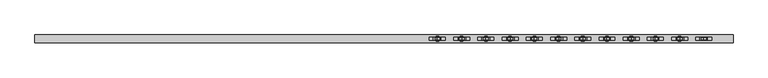
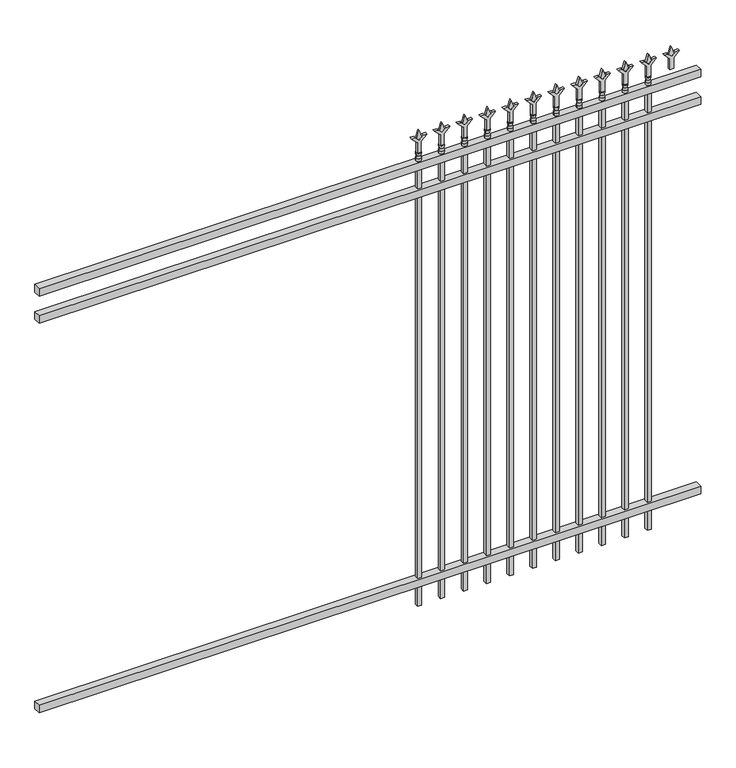
"""IFC4 building model written with IfcOpenShell, lengths in millimetres: railing geometry."""

from ifc_helpers import new_model, si_unit, frame, origin, place, context, project, spatial, polyline, circle_curve, outline, extrude, source, transform, mapped, element, save
from ifc_brep_helpers import plane_surface, cylinder_surface, revolved_surface, advanced_brep


def railing_69103082(model_context):
    return source(origin(), model_context, "Body", "SolidModel", [
        extrude(outline(polyline([(-55249.318087, -652.7195174), (-55249.318087, -617.7945174), (-52099.718087, -617.7945174), (-52099.718087, -652.7195174), (-55249.318087, -652.7195174)])), frame((0.0, 0.0, 2247.9), z_axis=(0.0, 0.0, 1.0), x_axis=(1.0, 0.0, 0.0)), (0.0, 0.0, 1.0), 38.1),
        extrude(outline(polyline([(-55249.318087, -652.7195174), (-55249.318087, -617.7945174), (-52099.718087, -617.7945174), (-52099.718087, -652.7195174), (-55249.318087, -652.7195174)])), frame((0.0, 0.0, 2111.375), z_axis=(0.0, 0.0, 1.0), x_axis=(1.0, 0.0, 0.0)), (0.0, 0.0, 1.0), 38.1),
        extrude(outline(polyline([(-55249.318087, -652.7195174), (-55249.318087, -617.7945174), (-52099.718087, -617.7945174), (-52099.718087, -652.7195174), (-55249.318087, -652.7195174)])), frame((0.0, 0.0, 152.4), z_axis=(0.0, 0.0, 1.0), x_axis=(1.0, 0.0, 0.0)), (0.0, 0.0, 1.0), 38.1),
        extrude(outline(polyline([(2402.68125, -52328.8472536), (2438.4, -52340.7535036), (2402.68125, -52352.6597536), (2390.775, -52340.7535036), (2402.68125, -52328.8472536)])), frame((0.0, -640.0195174, 0.0), z_axis=(0.0, 1.0, 0.0), x_axis=(0.0, 0.0, 1.0)), (0.0, 0.0, 1.0), 9.525),
        extrude(outline(polyline([(2327.275, -52332.0222536), (2381.5457378, -52332.0222536), (2408.7355122, -52304.8324791), (2408.7355122, -52322.7929914), (2390.775, -52340.7535036), (2408.7355122, -52358.7140159), (2408.7355122, -52376.6745281), (2381.5457378, -52349.4847536), (2327.275, -52349.4847536), (2327.275, -52332.0222536)])), frame((0.0, -641.6070174, 0.0), z_axis=(0.0, 1.0, 0.0), x_axis=(0.0, 0.0, 1.0)), (0.0, 0.0, 1.0), 12.7),
        advanced_brep(
        [(-52328.8472536, -635.2570174, 2298.7), (-52352.6597536, -635.2570174, 2298.7), (-52352.6597536, -635.2570174, 2286.0), (-52328.8472536, -635.2570174, 2286.0), (-52331.0525855, -635.2570174, 2311.2070585), (-52350.4544218, -635.2570174, 2311.2070585), (-52328.8472536, -635.2570174, 2327.275), (-52352.6597536, -635.2570174, 2327.275), (-52340.7535036, -635.2570174, 2327.275), (-52340.7535036, -635.2570174, 2286.0)],
        [
            (0, 1, circle_curve(frame((-52340.7535036, -635.2570174, 2298.7), z_axis=(0.0, 0.0, -1.0), x_axis=(-1.0, 0.0, 0.0)), 11.90625)),
            (1, 2),
            (2, 3, circle_curve(frame((-52340.7535036, -635.2570174, 2286.0), z_axis=(0.0, 0.0, 1.0), x_axis=(-1.0, 0.0, 0.0)), 11.90625)),
            (3, 0),
            (1, 0, circle_curve(frame((-52340.7535036, -635.2570174, 2298.7), z_axis=(0.0, 0.0, -1.0), x_axis=(-1.0, 0.0, 0.0)), 11.90625)),
            (3, 2, circle_curve(frame((-52340.7535036, -635.2570174, 2286.0), z_axis=(0.0, 0.0, 1.0), x_axis=(-1.0, 0.0, 0.0)), 11.90625)),
            (4, 5, circle_curve(frame((-52340.7535036, -635.2570174, 2311.2070585), z_axis=(0.0, 0.0, -1.0), x_axis=(-1.0, 0.0, 0.0)), 9.7009181)),
            (5, 1),
            (0, 4),
            (5, 4, circle_curve(frame((-52340.7535036, -635.2570174, 2311.2070585), z_axis=(0.0, 0.0, -1.0), x_axis=(-1.0, 0.0, 0.0)), 9.7009181)),
            (6, 7, circle_curve(frame((-52340.7535036, -635.2570174, 2327.275), z_axis=(0.0, 0.0, -1.0), x_axis=(-1.0, 0.0, 0.0)), 11.90625)),
            (7, 5),
            (4, 6),
            (7, 6, circle_curve(frame((-52340.7535036, -635.2570174, 2327.275), z_axis=(0.0, 0.0, -1.0), x_axis=(-1.0, 0.0, 0.0)), 11.90625)),
            (8, 7),
            (6, 8),
            (2, 9),
            (9, 3),
        ],
        [
            cylinder_surface(frame((-52340.7535036, -635.2570174, 2286.0), z_axis=(0.0, 0.0, 1.0), x_axis=(-1.0, 0.0, 0.0)), 11.90625),
            revolved_surface(polyline([(-52352.6597536, -635.2570174, 2298.7), (-52350.4544218, -635.2570174, 2311.2070585)]), (-52340.7535036, -635.2570174, 2286.0), (0.0, 0.0, 1.0)),
            revolved_surface(polyline([(-52350.4544218, -635.2570174, 2311.2070585), (-52352.6597536, -635.2570174, 2327.275)]), (-52340.7535036, -635.2570174, 2286.0), (0.0, 0.0, 1.0)),
            plane_surface(frame((-52340.7535036, -635.2570174, 2327.275), z_axis=(0.0, 0.0, 1.0), x_axis=(-1.0, 0.0, 0.0))),
            plane_surface(frame((-52340.7535036, -635.2570174, 2286.0), z_axis=(0.0, 0.0, -1.0), x_axis=(-1.0, 0.0, 0.0))),
        ],
        [
            (0, [[1, 2, 3, 4]]),
            (0, [[5, -4, 6, -2]]),
            (1, [[7, 8, -1, 9]]),
            (1, [[10, -9, -5, -8]]),
            (2, [[11, 12, -7, 13]]),
            (2, [[14, -13, -10, -12]]),
            (3, [[15, -11, 16]]),
            (3, [[-16, -14, -15]]),
            (4, [[-3, 17, 18]]),
            (4, [[-6, -18, -17]]),
        ],
    ),
        extrude(outline(polyline([(-52350.2785036, -625.7320174), (-52331.2285036, -625.7320174), (-52331.2285036, -644.7820174), (-52350.2785036, -644.7820174), (-52350.2785036, -625.7320174)])), frame((0.0, 0.0, 50.8), z_axis=(0.0, 0.0, 1.0), x_axis=(1.0, 0.0, 0.0)), (0.0, 0.0, 1.0), 2235.2),
        extrude(outline(polyline([(2402.68125, -52438.1201703), (2438.4, -52450.0264203), (2402.68125, -52461.9326703), (2390.775, -52450.0264203), (2402.68125, -52438.1201703)])), frame((0.0, -640.0195174, 0.0), z_axis=(0.0, 1.0, 0.0), x_axis=(0.0, 0.0, 1.0)), (0.0, 0.0, 1.0), 9.525),
        extrude(outline(polyline([(2327.275, -52441.2951703), (2381.5457378, -52441.2951703), (2408.7355122, -52414.1053958), (2408.7355122, -52432.0659081), (2390.775, -52450.0264203), (2408.7355122, -52467.9869325), (2408.7355122, -52485.9474448), (2381.5457378, -52458.7576703), (2327.275, -52458.7576703), (2327.275, -52441.2951703)])), frame((0.0, -641.6070174, 0.0), z_axis=(0.0, 1.0, 0.0), x_axis=(0.0, 0.0, 1.0)), (0.0, 0.0, 1.0), 12.7),
        advanced_brep(
        [(-52438.1201703, -635.2570174, 2298.7), (-52461.9326703, -635.2570174, 2298.7), (-52461.9326703, -635.2570174, 2286.0), (-52438.1201703, -635.2570174, 2286.0), (-52440.3255022, -635.2570174, 2311.2070585), (-52459.7273384, -635.2570174, 2311.2070585), (-52438.1201703, -635.2570174, 2327.275), (-52461.9326703, -635.2570174, 2327.275), (-52450.0264203, -635.2570174, 2327.275), (-52450.0264203, -635.2570174, 2286.0)],
        [
            (0, 1, circle_curve(frame((-52450.0264203, -635.2570174, 2298.7), z_axis=(0.0, 0.0, -1.0), x_axis=(-1.0, 0.0, 0.0)), 11.90625)),
            (1, 2),
            (2, 3, circle_curve(frame((-52450.0264203, -635.2570174, 2286.0), z_axis=(0.0, 0.0, 1.0), x_axis=(-1.0, 0.0, 0.0)), 11.90625)),
            (3, 0),
            (1, 0, circle_curve(frame((-52450.0264203, -635.2570174, 2298.7), z_axis=(0.0, 0.0, -1.0), x_axis=(-1.0, 0.0, 0.0)), 11.90625)),
            (3, 2, circle_curve(frame((-52450.0264203, -635.2570174, 2286.0), z_axis=(0.0, 0.0, 1.0), x_axis=(-1.0, 0.0, 0.0)), 11.90625)),
            (4, 5, circle_curve(frame((-52450.0264203, -635.2570174, 2311.2070585), z_axis=(0.0, 0.0, -1.0), x_axis=(-1.0, 0.0, 0.0)), 9.7009181)),
            (5, 1),
            (0, 4),
            (5, 4, circle_curve(frame((-52450.0264203, -635.2570174, 2311.2070585), z_axis=(0.0, 0.0, -1.0), x_axis=(-1.0, 0.0, 0.0)), 9.7009181)),
            (6, 7, circle_curve(frame((-52450.0264203, -635.2570174, 2327.275), z_axis=(0.0, 0.0, -1.0), x_axis=(-1.0, 0.0, 0.0)), 11.90625)),
            (7, 5),
            (4, 6),
            (7, 6, circle_curve(frame((-52450.0264203, -635.2570174, 2327.275), z_axis=(0.0, 0.0, -1.0), x_axis=(-1.0, 0.0, 0.0)), 11.90625)),
            (8, 7),
            (6, 8),
            (2, 9),
            (9, 3),
        ],
        [
            cylinder_surface(frame((-52450.0264203, -635.2570174, 2286.0), z_axis=(0.0, 0.0, 1.0), x_axis=(-1.0, 0.0, 0.0)), 11.90625),
            revolved_surface(polyline([(-52461.9326703, -635.2570174, 2298.7), (-52459.7273384, -635.2570174, 2311.2070585)]), (-52450.0264203, -635.2570174, 2286.0), (0.0, 0.0, 1.0)),
            revolved_surface(polyline([(-52459.7273384, -635.2570174, 2311.2070585), (-52461.9326703, -635.2570174, 2327.275)]), (-52450.0264203, -635.2570174, 2286.0), (0.0, 0.0, 1.0)),
            plane_surface(frame((-52450.0264203, -635.2570174, 2327.275), z_axis=(0.0, 0.0, 1.0), x_axis=(-1.0, 0.0, 0.0))),
            plane_surface(frame((-52450.0264203, -635.2570174, 2286.0), z_axis=(0.0, 0.0, -1.0), x_axis=(-1.0, 0.0, 0.0))),
        ],
        [
            (0, [[1, 2, 3, 4]]),
            (0, [[5, -4, 6, -2]]),
            (1, [[7, 8, -1, 9]]),
            (1, [[10, -9, -5, -8]]),
            (2, [[11, 12, -7, 13]]),
            (2, [[14, -13, -10, -12]]),
            (3, [[15, -11, 16]]),
            (3, [[-16, -14, -15]]),
            (4, [[-3, 17, 18]]),
            (4, [[-6, -18, -17]]),
        ],
    ),
        extrude(outline(polyline([(-52459.5514203, -625.7320174), (-52440.5014203, -625.7320174), (-52440.5014203, -644.7820174), (-52459.5514203, -644.7820174), (-52459.5514203, -625.7320174)])), frame((0.0, 0.0, 50.8), z_axis=(0.0, 0.0, 1.0), x_axis=(1.0, 0.0, 0.0)), (0.0, 0.0, 1.0), 2235.2),
        extrude(outline(polyline([(2402.68125, -52547.393087), (2438.4, -52559.299337), (2402.68125, -52571.205587), (2390.775, -52559.299337), (2402.68125, -52547.393087)])), frame((0.0, -640.0195174, 0.0), z_axis=(0.0, 1.0, 0.0), x_axis=(0.0, 0.0, 1.0)), (0.0, 0.0, 1.0), 9.525),
        extrude(outline(polyline([(2327.275, -52550.568087), (2381.5457378, -52550.568087), (2408.7355122, -52523.3783125), (2408.7355122, -52541.3388247), (2390.775, -52559.299337), (2408.7355122, -52577.2598492), (2408.7355122, -52595.2203614), (2381.5457378, -52568.030587), (2327.275, -52568.030587), (2327.275, -52550.568087)])), frame((0.0, -641.6070174, 0.0), z_axis=(0.0, 1.0, 0.0), x_axis=(0.0, 0.0, 1.0)), (0.0, 0.0, 1.0), 12.7),
        advanced_brep(
        [(-52547.393087, -635.2570174, 2298.7), (-52571.205587, -635.2570174, 2298.7), (-52571.205587, -635.2570174, 2286.0), (-52547.393087, -635.2570174, 2286.0), (-52549.5984188, -635.2570174, 2311.2070585), (-52569.0002551, -635.2570174, 2311.2070585), (-52547.393087, -635.2570174, 2327.275), (-52571.205587, -635.2570174, 2327.275), (-52559.299337, -635.2570174, 2327.275), (-52559.299337, -635.2570174, 2286.0)],
        [
            (0, 1, circle_curve(frame((-52559.299337, -635.2570174, 2298.7), z_axis=(0.0, 0.0, -1.0), x_axis=(-1.0, 0.0, 0.0)), 11.90625)),
            (1, 2),
            (2, 3, circle_curve(frame((-52559.299337, -635.2570174, 2286.0), z_axis=(0.0, 0.0, 1.0), x_axis=(-1.0, 0.0, 0.0)), 11.90625)),
            (3, 0),
            (1, 0, circle_curve(frame((-52559.299337, -635.2570174, 2298.7), z_axis=(0.0, 0.0, -1.0), x_axis=(-1.0, 0.0, 0.0)), 11.90625)),
            (3, 2, circle_curve(frame((-52559.299337, -635.2570174, 2286.0), z_axis=(0.0, 0.0, 1.0), x_axis=(-1.0, 0.0, 0.0)), 11.90625)),
            (4, 5, circle_curve(frame((-52559.299337, -635.2570174, 2311.2070585), z_axis=(0.0, 0.0, -1.0), x_axis=(-1.0, 0.0, 0.0)), 9.7009181)),
            (5, 1),
            (0, 4),
            (5, 4, circle_curve(frame((-52559.299337, -635.2570174, 2311.2070585), z_axis=(0.0, 0.0, -1.0), x_axis=(-1.0, 0.0, 0.0)), 9.7009181)),
            (6, 7, circle_curve(frame((-52559.299337, -635.2570174, 2327.275), z_axis=(0.0, 0.0, -1.0), x_axis=(-1.0, 0.0, 0.0)), 11.90625)),
            (7, 5),
            (4, 6),
            (7, 6, circle_curve(frame((-52559.299337, -635.2570174, 2327.275), z_axis=(0.0, 0.0, -1.0), x_axis=(-1.0, 0.0, 0.0)), 11.90625)),
            (8, 7),
            (6, 8),
            (2, 9),
            (9, 3),
        ],
        [
            cylinder_surface(frame((-52559.299337, -635.2570174, 2286.0), z_axis=(0.0, 0.0, 1.0), x_axis=(-1.0, 0.0, 0.0)), 11.90625),
            revolved_surface(polyline([(-52571.205587, -635.2570174, 2298.7), (-52569.0002551, -635.2570174, 2311.2070585)]), (-52559.299337, -635.2570174, 2286.0), (0.0, 0.0, 1.0)),
            revolved_surface(polyline([(-52569.0002551, -635.2570174, 2311.2070585), (-52571.205587, -635.2570174, 2327.275)]), (-52559.299337, -635.2570174, 2286.0), (0.0, 0.0, 1.0)),
            plane_surface(frame((-52559.299337, -635.2570174, 2327.275), z_axis=(0.0, 0.0, 1.0), x_axis=(-1.0, 0.0, 0.0))),
            plane_surface(frame((-52559.299337, -635.2570174, 2286.0), z_axis=(0.0, 0.0, -1.0), x_axis=(-1.0, 0.0, 0.0))),
        ],
        [
            (0, [[1, 2, 3, 4]]),
            (0, [[5, -4, 6, -2]]),
            (1, [[7, 8, -1, 9]]),
            (1, [[10, -9, -5, -8]]),
            (2, [[11, 12, -7, 13]]),
            (2, [[14, -13, -10, -12]]),
            (3, [[15, -11, 16]]),
            (3, [[-16, -14, -15]]),
            (4, [[-3, 17, 18]]),
            (4, [[-6, -18, -17]]),
        ],
    ),
        extrude(outline(polyline([(-52568.824337, -625.7320174), (-52549.774337, -625.7320174), (-52549.774337, -644.7820174), (-52568.824337, -644.7820174), (-52568.824337, -625.7320174)])), frame((0.0, 0.0, 50.8), z_axis=(0.0, 0.0, 1.0), x_axis=(1.0, 0.0, 0.0)), (0.0, 0.0, 1.0), 2235.2),
        extrude(outline(polyline([(2402.68125, -52656.6660036), (2438.4, -52668.5722536), (2402.68125, -52680.4785036), (2390.775, -52668.5722536), (2402.68125, -52656.6660036)])), frame((0.0, -640.0195174, 0.0), z_axis=(0.0, 1.0, 0.0), x_axis=(0.0, 0.0, 1.0)), (0.0, 0.0, 1.0), 9.525),
        extrude(outline(polyline([(2327.275, -52659.8410036), (2381.5457378, -52659.8410036), (2408.7355122, -52632.6512291), (2408.7355122, -52650.6117414), (2390.775, -52668.5722536), (2408.7355122, -52686.5327659), (2408.7355122, -52704.4932781), (2381.5457378, -52677.3035036), (2327.275, -52677.3035036), (2327.275, -52659.8410036)])), frame((0.0, -641.6070174, 0.0), z_axis=(0.0, 1.0, 0.0), x_axis=(0.0, 0.0, 1.0)), (0.0, 0.0, 1.0), 12.7),
        advanced_brep(
        [(-52656.6660036, -635.2570174, 2298.7), (-52680.4785036, -635.2570174, 2298.7), (-52680.4785036, -635.2570174, 2286.0), (-52656.6660036, -635.2570174, 2286.0), (-52658.8713355, -635.2570174, 2311.2070585), (-52678.2731718, -635.2570174, 2311.2070585), (-52656.6660036, -635.2570174, 2327.275), (-52680.4785036, -635.2570174, 2327.275), (-52668.5722536, -635.2570174, 2327.275), (-52668.5722536, -635.2570174, 2286.0)],
        [
            (0, 1, circle_curve(frame((-52668.5722536, -635.2570174, 2298.7), z_axis=(0.0, 0.0, -1.0), x_axis=(-1.0, 0.0, 0.0)), 11.90625)),
            (1, 2),
            (2, 3, circle_curve(frame((-52668.5722536, -635.2570174, 2286.0), z_axis=(0.0, 0.0, 1.0), x_axis=(-1.0, 0.0, 0.0)), 11.90625)),
            (3, 0),
            (1, 0, circle_curve(frame((-52668.5722536, -635.2570174, 2298.7), z_axis=(0.0, 0.0, -1.0), x_axis=(-1.0, 0.0, 0.0)), 11.90625)),
            (3, 2, circle_curve(frame((-52668.5722536, -635.2570174, 2286.0), z_axis=(0.0, 0.0, 1.0), x_axis=(-1.0, 0.0, 0.0)), 11.90625)),
            (4, 5, circle_curve(frame((-52668.5722536, -635.2570174, 2311.2070585), z_axis=(0.0, 0.0, -1.0), x_axis=(-1.0, 0.0, 0.0)), 9.7009181)),
            (5, 1),
            (0, 4),
            (5, 4, circle_curve(frame((-52668.5722536, -635.2570174, 2311.2070585), z_axis=(0.0, 0.0, -1.0), x_axis=(-1.0, 0.0, 0.0)), 9.7009181)),
            (6, 7, circle_curve(frame((-52668.5722536, -635.2570174, 2327.275), z_axis=(0.0, 0.0, -1.0), x_axis=(-1.0, 0.0, 0.0)), 11.90625)),
            (7, 5),
            (4, 6),
            (7, 6, circle_curve(frame((-52668.5722536, -635.2570174, 2327.275), z_axis=(0.0, 0.0, -1.0), x_axis=(-1.0, 0.0, 0.0)), 11.90625)),
            (8, 7),
            (6, 8),
            (2, 9),
            (9, 3),
        ],
        [
            cylinder_surface(frame((-52668.5722536, -635.2570174, 2286.0), z_axis=(0.0, 0.0, 1.0), x_axis=(-1.0, 0.0, 0.0)), 11.90625),
            revolved_surface(polyline([(-52680.4785036, -635.2570174, 2298.7), (-52678.2731718, -635.2570174, 2311.2070585)]), (-52668.5722536, -635.2570174, 2286.0), (0.0, 0.0, 1.0)),
            revolved_surface(polyline([(-52678.2731718, -635.2570174, 2311.2070585), (-52680.4785036, -635.2570174, 2327.275)]), (-52668.5722536, -635.2570174, 2286.0), (0.0, 0.0, 1.0)),
            plane_surface(frame((-52668.5722536, -635.2570174, 2327.275), z_axis=(0.0, 0.0, 1.0), x_axis=(-1.0, 0.0, 0.0))),
            plane_surface(frame((-52668.5722536, -635.2570174, 2286.0), z_axis=(0.0, 0.0, -1.0), x_axis=(-1.0, 0.0, 0.0))),
        ],
        [
            (0, [[1, 2, 3, 4]]),
            (0, [[5, -4, 6, -2]]),
            (1, [[7, 8, -1, 9]]),
            (1, [[10, -9, -5, -8]]),
            (2, [[11, 12, -7, 13]]),
            (2, [[14, -13, -10, -12]]),
            (3, [[15, -11, 16]]),
            (3, [[-16, -14, -15]]),
            (4, [[-3, 17, 18]]),
            (4, [[-6, -18, -17]]),
        ],
    ),
        extrude(outline(polyline([(-52678.0972536, -625.7320174), (-52659.0472536, -625.7320174), (-52659.0472536, -644.7820174), (-52678.0972536, -644.7820174), (-52678.0972536, -625.7320174)])), frame((0.0, 0.0, 50.8), z_axis=(0.0, 0.0, 1.0), x_axis=(1.0, 0.0, 0.0)), (0.0, 0.0, 1.0), 2235.2),
        extrude(outline(polyline([(2402.68125, -52765.9389203), (2438.4, -52777.8451703), (2402.68125, -52789.7514203), (2390.775, -52777.8451703), (2402.68125, -52765.9389203)])), frame((0.0, -640.0195174, 0.0), z_axis=(0.0, 1.0, 0.0), x_axis=(0.0, 0.0, 1.0)), (0.0, 0.0, 1.0), 9.525),
        extrude(outline(polyline([(2327.275, -52769.1139203), (2381.5457378, -52769.1139203), (2408.7355122, -52741.9241458), (2408.7355122, -52759.8846581), (2390.775, -52777.8451703), (2408.7355122, -52795.8056825), (2408.7355122, -52813.7661948), (2381.5457378, -52786.5764203), (2327.275, -52786.5764203), (2327.275, -52769.1139203)])), frame((0.0, -641.6070174, 0.0), z_axis=(0.0, 1.0, 0.0), x_axis=(0.0, 0.0, 1.0)), (0.0, 0.0, 1.0), 12.7),
        advanced_brep(
        [(-52765.9389203, -635.2570174, 2298.7), (-52789.7514203, -635.2570174, 2298.7), (-52789.7514203, -635.2570174, 2286.0), (-52765.9389203, -635.2570174, 2286.0), (-52768.1442522, -635.2570174, 2311.2070585), (-52787.5460884, -635.2570174, 2311.2070585), (-52765.9389203, -635.2570174, 2327.275), (-52789.7514203, -635.2570174, 2327.275), (-52777.8451703, -635.2570174, 2327.275), (-52777.8451703, -635.2570174, 2286.0)],
        [
            (0, 1, circle_curve(frame((-52777.8451703, -635.2570174, 2298.7), z_axis=(0.0, 0.0, -1.0), x_axis=(-1.0, 0.0, 0.0)), 11.90625)),
            (1, 2),
            (2, 3, circle_curve(frame((-52777.8451703, -635.2570174, 2286.0), z_axis=(0.0, 0.0, 1.0), x_axis=(-1.0, 0.0, 0.0)), 11.90625)),
            (3, 0),
            (1, 0, circle_curve(frame((-52777.8451703, -635.2570174, 2298.7), z_axis=(0.0, 0.0, -1.0), x_axis=(-1.0, 0.0, 0.0)), 11.90625)),
            (3, 2, circle_curve(frame((-52777.8451703, -635.2570174, 2286.0), z_axis=(0.0, 0.0, 1.0), x_axis=(-1.0, 0.0, 0.0)), 11.90625)),
            (4, 5, circle_curve(frame((-52777.8451703, -635.2570174, 2311.2070585), z_axis=(0.0, 0.0, -1.0), x_axis=(-1.0, 0.0, 0.0)), 9.7009181)),
            (5, 1),
            (0, 4),
            (5, 4, circle_curve(frame((-52777.8451703, -635.2570174, 2311.2070585), z_axis=(0.0, 0.0, -1.0), x_axis=(-1.0, 0.0, 0.0)), 9.7009181)),
            (6, 7, circle_curve(frame((-52777.8451703, -635.2570174, 2327.275), z_axis=(0.0, 0.0, -1.0), x_axis=(-1.0, 0.0, 0.0)), 11.90625)),
            (7, 5),
            (4, 6),
            (7, 6, circle_curve(frame((-52777.8451703, -635.2570174, 2327.275), z_axis=(0.0, 0.0, -1.0), x_axis=(-1.0, 0.0, 0.0)), 11.90625)),
            (8, 7),
            (6, 8),
            (2, 9),
            (9, 3),
        ],
        [
            cylinder_surface(frame((-52777.8451703, -635.2570174, 2286.0), z_axis=(0.0, 0.0, 1.0), x_axis=(-1.0, 0.0, 0.0)), 11.90625),
            revolved_surface(polyline([(-52789.7514203, -635.2570174, 2298.7), (-52787.5460884, -635.2570174, 2311.2070585)]), (-52777.8451703, -635.2570174, 2286.0), (0.0, 0.0, 1.0)),
            revolved_surface(polyline([(-52787.5460884, -635.2570174, 2311.2070585), (-52789.7514203, -635.2570174, 2327.275)]), (-52777.8451703, -635.2570174, 2286.0), (0.0, 0.0, 1.0)),
            plane_surface(frame((-52777.8451703, -635.2570174, 2327.275), z_axis=(0.0, 0.0, 1.0), x_axis=(-1.0, 0.0, 0.0))),
            plane_surface(frame((-52777.8451703, -635.2570174, 2286.0), z_axis=(0.0, 0.0, -1.0), x_axis=(-1.0, 0.0, 0.0))),
        ],
        [
            (0, [[1, 2, 3, 4]]),
            (0, [[5, -4, 6, -2]]),
            (1, [[7, 8, -1, 9]]),
            (1, [[10, -9, -5, -8]]),
            (2, [[11, 12, -7, 13]]),
            (2, [[14, -13, -10, -12]]),
            (3, [[15, -11, 16]]),
            (3, [[-16, -14, -15]]),
            (4, [[-3, 17, 18]]),
            (4, [[-6, -18, -17]]),
        ],
    ),
        extrude(outline(polyline([(-52787.3701703, -625.7320174), (-52768.3201703, -625.7320174), (-52768.3201703, -644.7820174), (-52787.3701703, -644.7820174), (-52787.3701703, -625.7320174)])), frame((0.0, 0.0, 50.8), z_axis=(0.0, 0.0, 1.0), x_axis=(1.0, 0.0, 0.0)), (0.0, 0.0, 1.0), 2235.2),
        extrude(outline(polyline([(2402.68125, -52875.211837), (2438.4, -52887.118087), (2402.68125, -52899.024337), (2390.775, -52887.118087), (2402.68125, -52875.211837)])), frame((0.0, -640.0195174, 0.0), z_axis=(0.0, 1.0, 0.0), x_axis=(0.0, 0.0, 1.0)), (0.0, 0.0, 1.0), 9.525),
        extrude(outline(polyline([(2327.275, -52878.386837), (2381.5457378, -52878.386837), (2408.7355122, -52851.1970625), (2408.7355122, -52869.1575747), (2390.775, -52887.118087), (2408.7355122, -52905.0785992), (2408.7355122, -52923.0391114), (2381.5457378, -52895.849337), (2327.275, -52895.849337), (2327.275, -52878.386837)])), frame((0.0, -641.6070174, 0.0), z_axis=(0.0, 1.0, 0.0), x_axis=(0.0, 0.0, 1.0)), (0.0, 0.0, 1.0), 12.7),
        advanced_brep(
        [(-52875.211837, -635.2570174, 2298.7), (-52899.024337, -635.2570174, 2298.7), (-52899.024337, -635.2570174, 2286.0), (-52875.211837, -635.2570174, 2286.0), (-52877.4171688, -635.2570174, 2311.2070585), (-52896.8190051, -635.2570174, 2311.2070585), (-52875.211837, -635.2570174, 2327.275), (-52899.024337, -635.2570174, 2327.275), (-52887.118087, -635.2570174, 2327.275), (-52887.118087, -635.2570174, 2286.0)],
        [
            (0, 1, circle_curve(frame((-52887.118087, -635.2570174, 2298.7), z_axis=(0.0, 0.0, -1.0), x_axis=(-1.0, 0.0, 0.0)), 11.90625)),
            (1, 2),
            (2, 3, circle_curve(frame((-52887.118087, -635.2570174, 2286.0), z_axis=(0.0, 0.0, 1.0), x_axis=(-1.0, 0.0, 0.0)), 11.90625)),
            (3, 0),
            (1, 0, circle_curve(frame((-52887.118087, -635.2570174, 2298.7), z_axis=(0.0, 0.0, -1.0), x_axis=(-1.0, 0.0, 0.0)), 11.90625)),
            (3, 2, circle_curve(frame((-52887.118087, -635.2570174, 2286.0), z_axis=(0.0, 0.0, 1.0), x_axis=(-1.0, 0.0, 0.0)), 11.90625)),
            (4, 5, circle_curve(frame((-52887.118087, -635.2570174, 2311.2070585), z_axis=(0.0, 0.0, -1.0), x_axis=(-1.0, 0.0, 0.0)), 9.7009181)),
            (5, 1),
            (0, 4),
            (5, 4, circle_curve(frame((-52887.118087, -635.2570174, 2311.2070585), z_axis=(0.0, 0.0, -1.0), x_axis=(-1.0, 0.0, 0.0)), 9.7009181)),
            (6, 7, circle_curve(frame((-52887.118087, -635.2570174, 2327.275), z_axis=(0.0, 0.0, -1.0), x_axis=(-1.0, 0.0, 0.0)), 11.90625)),
            (7, 5),
            (4, 6),
            (7, 6, circle_curve(frame((-52887.118087, -635.2570174, 2327.275), z_axis=(0.0, 0.0, -1.0), x_axis=(-1.0, 0.0, 0.0)), 11.90625)),
            (8, 7),
            (6, 8),
            (2, 9),
            (9, 3),
        ],
        [
            cylinder_surface(frame((-52887.118087, -635.2570174, 2286.0), z_axis=(0.0, 0.0, 1.0), x_axis=(-1.0, 0.0, 0.0)), 11.90625),
            revolved_surface(polyline([(-52899.024337, -635.2570174, 2298.7), (-52896.8190051, -635.2570174, 2311.2070585)]), (-52887.118087, -635.2570174, 2286.0), (0.0, 0.0, 1.0)),
            revolved_surface(polyline([(-52896.8190051, -635.2570174, 2311.2070585), (-52899.024337, -635.2570174, 2327.275)]), (-52887.118087, -635.2570174, 2286.0), (0.0, 0.0, 1.0)),
            plane_surface(frame((-52887.118087, -635.2570174, 2327.275), z_axis=(0.0, 0.0, 1.0), x_axis=(-1.0, 0.0, 0.0))),
            plane_surface(frame((-52887.118087, -635.2570174, 2286.0), z_axis=(0.0, 0.0, -1.0), x_axis=(-1.0, 0.0, 0.0))),
        ],
        [
            (0, [[1, 2, 3, 4]]),
            (0, [[5, -4, 6, -2]]),
            (1, [[7, 8, -1, 9]]),
            (1, [[10, -9, -5, -8]]),
            (2, [[11, 12, -7, 13]]),
            (2, [[14, -13, -10, -12]]),
            (3, [[15, -11, 16]]),
            (3, [[-16, -14, -15]]),
            (4, [[-3, 17, 18]]),
            (4, [[-6, -18, -17]]),
        ],
    ),
        extrude(outline(polyline([(-52896.643087, -625.7320174), (-52877.593087, -625.7320174), (-52877.593087, -644.7820174), (-52896.643087, -644.7820174), (-52896.643087, -625.7320174)])), frame((0.0, 0.0, 50.8), z_axis=(0.0, 0.0, 1.0), x_axis=(1.0, 0.0, 0.0)), (0.0, 0.0, 1.0), 2235.2),
        extrude(outline(polyline([(2402.68125, -52984.4847536), (2438.4, -52996.3910036), (2402.68125, -53008.2972536), (2390.775, -52996.3910036), (2402.68125, -52984.4847536)])), frame((0.0, -640.0195174, 0.0), z_axis=(0.0, 1.0, 0.0), x_axis=(0.0, 0.0, 1.0)), (0.0, 0.0, 1.0), 9.525),
        extrude(outline(polyline([(2327.275, -52987.6597536), (2381.5457378, -52987.6597536), (2408.7355122, -52960.4699791), (2408.7355122, -52978.4304914), (2390.775, -52996.3910036), (2408.7355122, -53014.3515159), (2408.7355122, -53032.3120281), (2381.5457378, -53005.1222536), (2327.275, -53005.1222536), (2327.275, -52987.6597536)])), frame((0.0, -641.6070174, 0.0), z_axis=(0.0, 1.0, 0.0), x_axis=(0.0, 0.0, 1.0)), (0.0, 0.0, 1.0), 12.7),
        advanced_brep(
        [(-52984.4847536, -635.2570174, 2298.7), (-53008.2972536, -635.2570174, 2298.7), (-53008.2972536, -635.2570174, 2286.0), (-52984.4847536, -635.2570174, 2286.0), (-52986.6900855, -635.2570174, 2311.2070585), (-53006.0919218, -635.2570174, 2311.2070585), (-52984.4847536, -635.2570174, 2327.275), (-53008.2972536, -635.2570174, 2327.275), (-52996.3910036, -635.2570174, 2327.275), (-52996.3910036, -635.2570174, 2286.0)],
        [
            (0, 1, circle_curve(frame((-52996.3910036, -635.2570174, 2298.7), z_axis=(0.0, 0.0, -1.0), x_axis=(-1.0, 0.0, 0.0)), 11.90625)),
            (1, 2),
            (2, 3, circle_curve(frame((-52996.3910036, -635.2570174, 2286.0), z_axis=(0.0, 0.0, 1.0), x_axis=(-1.0, 0.0, 0.0)), 11.90625)),
            (3, 0),
            (1, 0, circle_curve(frame((-52996.3910036, -635.2570174, 2298.7), z_axis=(0.0, 0.0, -1.0), x_axis=(-1.0, 0.0, 0.0)), 11.90625)),
            (3, 2, circle_curve(frame((-52996.3910036, -635.2570174, 2286.0), z_axis=(0.0, 0.0, 1.0), x_axis=(-1.0, 0.0, 0.0)), 11.90625)),
            (4, 5, circle_curve(frame((-52996.3910036, -635.2570174, 2311.2070585), z_axis=(0.0, 0.0, -1.0), x_axis=(-1.0, 0.0, 0.0)), 9.7009181)),
            (5, 1),
            (0, 4),
            (5, 4, circle_curve(frame((-52996.3910036, -635.2570174, 2311.2070585), z_axis=(0.0, 0.0, -1.0), x_axis=(-1.0, 0.0, 0.0)), 9.7009181)),
            (6, 7, circle_curve(frame((-52996.3910036, -635.2570174, 2327.275), z_axis=(0.0, 0.0, -1.0), x_axis=(-1.0, 0.0, 0.0)), 11.90625)),
            (7, 5),
            (4, 6),
            (7, 6, circle_curve(frame((-52996.3910036, -635.2570174, 2327.275), z_axis=(0.0, 0.0, -1.0), x_axis=(-1.0, 0.0, 0.0)), 11.90625)),
            (8, 7),
            (6, 8),
            (2, 9),
            (9, 3),
        ],
        [
            cylinder_surface(frame((-52996.3910036, -635.2570174, 2286.0), z_axis=(0.0, 0.0, 1.0), x_axis=(-1.0, 0.0, 0.0)), 11.90625),
            revolved_surface(polyline([(-53008.2972536, -635.2570174, 2298.7), (-53006.0919218, -635.2570174, 2311.2070585)]), (-52996.3910036, -635.2570174, 2286.0), (0.0, 0.0, 1.0)),
            revolved_surface(polyline([(-53006.0919218, -635.2570174, 2311.2070585), (-53008.2972536, -635.2570174, 2327.275)]), (-52996.3910036, -635.2570174, 2286.0), (0.0, 0.0, 1.0)),
            plane_surface(frame((-52996.3910036, -635.2570174, 2327.275), z_axis=(0.0, 0.0, 1.0), x_axis=(-1.0, 0.0, 0.0))),
            plane_surface(frame((-52996.3910036, -635.2570174, 2286.0), z_axis=(0.0, 0.0, -1.0), x_axis=(-1.0, 0.0, 0.0))),
        ],
        [
            (0, [[1, 2, 3, 4]]),
            (0, [[5, -4, 6, -2]]),
            (1, [[7, 8, -1, 9]]),
            (1, [[10, -9, -5, -8]]),
            (2, [[11, 12, -7, 13]]),
            (2, [[14, -13, -10, -12]]),
            (3, [[15, -11, 16]]),
            (3, [[-16, -14, -15]]),
            (4, [[-3, 17, 18]]),
            (4, [[-6, -18, -17]]),
        ],
    ),
        extrude(outline(polyline([(-53005.9160036, -625.7320174), (-52986.8660036, -625.7320174), (-52986.8660036, -644.7820174), (-53005.9160036, -644.7820174), (-53005.9160036, -625.7320174)])), frame((0.0, 0.0, 50.8), z_axis=(0.0, 0.0, 1.0), x_axis=(1.0, 0.0, 0.0)), (0.0, 0.0, 1.0), 2235.2),
        extrude(outline(polyline([(2402.68125, -53093.7576703), (2438.4, -53105.6639203), (2402.68125, -53117.5701703), (2390.775, -53105.6639203), (2402.68125, -53093.7576703)])), frame((0.0, -640.0195174, 0.0), z_axis=(0.0, 1.0, 0.0), x_axis=(0.0, 0.0, 1.0)), (0.0, 0.0, 1.0), 9.525),
        extrude(outline(polyline([(2327.275, -53096.9326703), (2381.5457378, -53096.9326703), (2408.7355122, -53069.7428958), (2408.7355122, -53087.7034081), (2390.775, -53105.6639203), (2408.7355122, -53123.6244325), (2408.7355122, -53141.5849448), (2381.5457378, -53114.3951703), (2327.275, -53114.3951703), (2327.275, -53096.9326703)])), frame((0.0, -641.6070174, 0.0), z_axis=(0.0, 1.0, 0.0), x_axis=(0.0, 0.0, 1.0)), (0.0, 0.0, 1.0), 12.7),
        advanced_brep(
        [(-53093.7576703, -635.2570174, 2298.7), (-53117.5701703, -635.2570174, 2298.7), (-53117.5701703, -635.2570174, 2286.0), (-53093.7576703, -635.2570174, 2286.0), (-53095.9630022, -635.2570174, 2311.2070585), (-53115.3648384, -635.2570174, 2311.2070585), (-53093.7576703, -635.2570174, 2327.275), (-53117.5701703, -635.2570174, 2327.275), (-53105.6639203, -635.2570174, 2327.275), (-53105.6639203, -635.2570174, 2286.0)],
        [
            (0, 1, circle_curve(frame((-53105.6639203, -635.2570174, 2298.7), z_axis=(0.0, 0.0, -1.0), x_axis=(-1.0, 0.0, 0.0)), 11.90625)),
            (1, 2),
            (2, 3, circle_curve(frame((-53105.6639203, -635.2570174, 2286.0), z_axis=(0.0, 0.0, 1.0), x_axis=(-1.0, 0.0, 0.0)), 11.90625)),
            (3, 0),
            (1, 0, circle_curve(frame((-53105.6639203, -635.2570174, 2298.7), z_axis=(0.0, 0.0, -1.0), x_axis=(-1.0, 0.0, 0.0)), 11.90625)),
            (3, 2, circle_curve(frame((-53105.6639203, -635.2570174, 2286.0), z_axis=(0.0, 0.0, 1.0), x_axis=(-1.0, 0.0, 0.0)), 11.90625)),
            (4, 5, circle_curve(frame((-53105.6639203, -635.2570174, 2311.2070585), z_axis=(0.0, 0.0, -1.0), x_axis=(-1.0, 0.0, 0.0)), 9.7009181)),
            (5, 1),
            (0, 4),
            (5, 4, circle_curve(frame((-53105.6639203, -635.2570174, 2311.2070585), z_axis=(0.0, 0.0, -1.0), x_axis=(-1.0, 0.0, 0.0)), 9.7009181)),
            (6, 7, circle_curve(frame((-53105.6639203, -635.2570174, 2327.275), z_axis=(0.0, 0.0, -1.0), x_axis=(-1.0, 0.0, 0.0)), 11.90625)),
            (7, 5),
            (4, 6),
            (7, 6, circle_curve(frame((-53105.6639203, -635.2570174, 2327.275), z_axis=(0.0, 0.0, -1.0), x_axis=(-1.0, 0.0, 0.0)), 11.90625)),
            (8, 7),
            (6, 8),
            (2, 9),
            (9, 3),
        ],
        [
            cylinder_surface(frame((-53105.6639203, -635.2570174, 2286.0), z_axis=(0.0, 0.0, 1.0), x_axis=(-1.0, 0.0, 0.0)), 11.90625),
            revolved_surface(polyline([(-53117.5701703, -635.2570174, 2298.7), (-53115.3648384, -635.2570174, 2311.2070585)]), (-53105.6639203, -635.2570174, 2286.0), (0.0, 0.0, 1.0)),
            revolved_surface(polyline([(-53115.3648384, -635.2570174, 2311.2070585), (-53117.5701703, -635.2570174, 2327.275)]), (-53105.6639203, -635.2570174, 2286.0), (0.0, 0.0, 1.0)),
            plane_surface(frame((-53105.6639203, -635.2570174, 2327.275), z_axis=(0.0, 0.0, 1.0), x_axis=(-1.0, 0.0, 0.0))),
            plane_surface(frame((-53105.6639203, -635.2570174, 2286.0), z_axis=(0.0, 0.0, -1.0), x_axis=(-1.0, 0.0, 0.0))),
        ],
        [
            (0, [[1, 2, 3, 4]]),
            (0, [[5, -4, 6, -2]]),
            (1, [[7, 8, -1, 9]]),
            (1, [[10, -9, -5, -8]]),
            (2, [[11, 12, -7, 13]]),
            (2, [[14, -13, -10, -12]]),
            (3, [[15, -11, 16]]),
            (3, [[-16, -14, -15]]),
            (4, [[-3, 17, 18]]),
            (4, [[-6, -18, -17]]),
        ],
    ),
        extrude(outline(polyline([(-53115.1889203, -625.7320174), (-53096.1389203, -625.7320174), (-53096.1389203, -644.7820174), (-53115.1889203, -644.7820174), (-53115.1889203, -625.7320174)])), frame((0.0, 0.0, 50.8), z_axis=(0.0, 0.0, 1.0), x_axis=(1.0, 0.0, 0.0)), (0.0, 0.0, 1.0), 2235.2),
        extrude(outline(polyline([(2402.68125, -53203.030587), (2438.4, -53214.936837), (2402.68125, -53226.843087), (2390.775, -53214.936837), (2402.68125, -53203.030587)])), frame((0.0, -640.0195174, 0.0), z_axis=(0.0, 1.0, 0.0), x_axis=(0.0, 0.0, 1.0)), (0.0, 0.0, 1.0), 9.525),
        extrude(outline(polyline([(2327.275, -53206.205587), (2381.5457378, -53206.205587), (2408.7355122, -53179.0158125), (2408.7355122, -53196.9763247), (2390.775, -53214.936837), (2408.7355122, -53232.8973492), (2408.7355122, -53250.8578614), (2381.5457378, -53223.668087), (2327.275, -53223.668087), (2327.275, -53206.205587)])), frame((0.0, -641.6070174, 0.0), z_axis=(0.0, 1.0, 0.0), x_axis=(0.0, 0.0, 1.0)), (0.0, 0.0, 1.0), 12.7),
        advanced_brep(
        [(-53203.030587, -635.2570174, 2298.7), (-53226.843087, -635.2570174, 2298.7), (-53226.843087, -635.2570174, 2286.0), (-53203.030587, -635.2570174, 2286.0), (-53205.2359188, -635.2570174, 2311.2070585), (-53224.6377551, -635.2570174, 2311.2070585), (-53203.030587, -635.2570174, 2327.275), (-53226.843087, -635.2570174, 2327.275), (-53214.936837, -635.2570174, 2327.275), (-53214.936837, -635.2570174, 2286.0)],
        [
            (0, 1, circle_curve(frame((-53214.936837, -635.2570174, 2298.7), z_axis=(0.0, 0.0, -1.0), x_axis=(-1.0, 0.0, 0.0)), 11.90625)),
            (1, 2),
            (2, 3, circle_curve(frame((-53214.936837, -635.2570174, 2286.0), z_axis=(0.0, 0.0, 1.0), x_axis=(-1.0, 0.0, 0.0)), 11.90625)),
            (3, 0),
            (1, 0, circle_curve(frame((-53214.936837, -635.2570174, 2298.7), z_axis=(0.0, 0.0, -1.0), x_axis=(-1.0, 0.0, 0.0)), 11.90625)),
            (3, 2, circle_curve(frame((-53214.936837, -635.2570174, 2286.0), z_axis=(0.0, 0.0, 1.0), x_axis=(-1.0, 0.0, 0.0)), 11.90625)),
            (4, 5, circle_curve(frame((-53214.936837, -635.2570174, 2311.2070585), z_axis=(0.0, 0.0, -1.0), x_axis=(-1.0, 0.0, 0.0)), 9.7009181)),
            (5, 1),
            (0, 4),
            (5, 4, circle_curve(frame((-53214.936837, -635.2570174, 2311.2070585), z_axis=(0.0, 0.0, -1.0), x_axis=(-1.0, 0.0, 0.0)), 9.7009181)),
            (6, 7, circle_curve(frame((-53214.936837, -635.2570174, 2327.275), z_axis=(0.0, 0.0, -1.0), x_axis=(-1.0, 0.0, 0.0)), 11.90625)),
            (7, 5),
            (4, 6),
            (7, 6, circle_curve(frame((-53214.936837, -635.2570174, 2327.275), z_axis=(0.0, 0.0, -1.0), x_axis=(-1.0, 0.0, 0.0)), 11.90625)),
            (8, 7),
            (6, 8),
            (2, 9),
            (9, 3),
        ],
        [
            cylinder_surface(frame((-53214.936837, -635.2570174, 2286.0), z_axis=(0.0, 0.0, 1.0), x_axis=(-1.0, 0.0, 0.0)), 11.90625),
            revolved_surface(polyline([(-53226.843087, -635.2570174, 2298.7), (-53224.6377551, -635.2570174, 2311.2070585)]), (-53214.936837, -635.2570174, 2286.0), (0.0, 0.0, 1.0)),
            revolved_surface(polyline([(-53224.6377551, -635.2570174, 2311.2070585), (-53226.843087, -635.2570174, 2327.275)]), (-53214.936837, -635.2570174, 2286.0), (0.0, 0.0, 1.0)),
            plane_surface(frame((-53214.936837, -635.2570174, 2327.275), z_axis=(0.0, 0.0, 1.0), x_axis=(-1.0, 0.0, 0.0))),
            plane_surface(frame((-53214.936837, -635.2570174, 2286.0), z_axis=(0.0, 0.0, -1.0), x_axis=(-1.0, 0.0, 0.0))),
        ],
        [
            (0, [[1, 2, 3, 4]]),
            (0, [[5, -4, 6, -2]]),
            (1, [[7, 8, -1, 9]]),
            (1, [[10, -9, -5, -8]]),
            (2, [[11, 12, -7, 13]]),
            (2, [[14, -13, -10, -12]]),
            (3, [[15, -11, 16]]),
            (3, [[-16, -14, -15]]),
            (4, [[-3, 17, 18]]),
            (4, [[-6, -18, -17]]),
        ],
    ),
        extrude(outline(polyline([(-53224.461837, -625.7320174), (-53205.411837, -625.7320174), (-53205.411837, -644.7820174), (-53224.461837, -644.7820174), (-53224.461837, -625.7320174)])), frame((0.0, 0.0, 50.8), z_axis=(0.0, 0.0, 1.0), x_axis=(1.0, 0.0, 0.0)), (0.0, 0.0, 1.0), 2235.2),
        extrude(outline(polyline([(2402.68125, -53312.3035036), (2438.4, -53324.2097536), (2402.68125, -53336.1160036), (2390.775, -53324.2097536), (2402.68125, -53312.3035036)])), frame((0.0, -640.0195174, 0.0), z_axis=(0.0, 1.0, 0.0), x_axis=(0.0, 0.0, 1.0)), (0.0, 0.0, 1.0), 9.525),
        extrude(outline(polyline([(2327.275, -53315.4785036), (2381.5457378, -53315.4785036), (2408.7355122, -53288.2887291), (2408.7355122, -53306.2492414), (2390.775, -53324.2097536), (2408.7355122, -53342.1702659), (2408.7355122, -53360.1307781), (2381.5457378, -53332.9410036), (2327.275, -53332.9410036), (2327.275, -53315.4785036)])), frame((0.0, -641.6070174, 0.0), z_axis=(0.0, 1.0, 0.0), x_axis=(0.0, 0.0, 1.0)), (0.0, 0.0, 1.0), 12.7),
        advanced_brep(
        [(-53312.3035036, -635.2570174, 2298.7), (-53336.1160036, -635.2570174, 2298.7), (-53336.1160036, -635.2570174, 2286.0), (-53312.3035036, -635.2570174, 2286.0), (-53314.5088355, -635.2570174, 2311.2070585), (-53333.9106718, -635.2570174, 2311.2070585), (-53312.3035036, -635.2570174, 2327.275), (-53336.1160036, -635.2570174, 2327.275), (-53324.2097536, -635.2570174, 2327.275), (-53324.2097536, -635.2570174, 2286.0)],
        [
            (0, 1, circle_curve(frame((-53324.2097536, -635.2570174, 2298.7), z_axis=(0.0, 0.0, -1.0), x_axis=(-1.0, 0.0, 0.0)), 11.90625)),
            (1, 2),
            (2, 3, circle_curve(frame((-53324.2097536, -635.2570174, 2286.0), z_axis=(0.0, 0.0, 1.0), x_axis=(-1.0, 0.0, 0.0)), 11.90625)),
            (3, 0),
            (1, 0, circle_curve(frame((-53324.2097536, -635.2570174, 2298.7), z_axis=(0.0, 0.0, -1.0), x_axis=(-1.0, 0.0, 0.0)), 11.90625)),
            (3, 2, circle_curve(frame((-53324.2097536, -635.2570174, 2286.0), z_axis=(0.0, 0.0, 1.0), x_axis=(-1.0, 0.0, 0.0)), 11.90625)),
            (4, 5, circle_curve(frame((-53324.2097536, -635.2570174, 2311.2070585), z_axis=(0.0, 0.0, -1.0), x_axis=(-1.0, 0.0, 0.0)), 9.7009181)),
            (5, 1),
            (0, 4),
            (5, 4, circle_curve(frame((-53324.2097536, -635.2570174, 2311.2070585), z_axis=(0.0, 0.0, -1.0), x_axis=(-1.0, 0.0, 0.0)), 9.7009181)),
            (6, 7, circle_curve(frame((-53324.2097536, -635.2570174, 2327.275), z_axis=(0.0, 0.0, -1.0), x_axis=(-1.0, 0.0, 0.0)), 11.90625)),
            (7, 5),
            (4, 6),
            (7, 6, circle_curve(frame((-53324.2097536, -635.2570174, 2327.275), z_axis=(0.0, 0.0, -1.0), x_axis=(-1.0, 0.0, 0.0)), 11.90625)),
            (8, 7),
            (6, 8),
            (2, 9),
            (9, 3),
        ],
        [
            cylinder_surface(frame((-53324.2097536, -635.2570174, 2286.0), z_axis=(0.0, 0.0, 1.0), x_axis=(-1.0, 0.0, 0.0)), 11.90625),
            revolved_surface(polyline([(-53336.1160036, -635.2570174, 2298.7), (-53333.9106718, -635.2570174, 2311.2070585)]), (-53324.2097536, -635.2570174, 2286.0), (0.0, 0.0, 1.0)),
            revolved_surface(polyline([(-53333.9106718, -635.2570174, 2311.2070585), (-53336.1160036, -635.2570174, 2327.275)]), (-53324.2097536, -635.2570174, 2286.0), (0.0, 0.0, 1.0)),
            plane_surface(frame((-53324.2097536, -635.2570174, 2327.275), z_axis=(0.0, 0.0, 1.0), x_axis=(-1.0, 0.0, 0.0))),
            plane_surface(frame((-53324.2097536, -635.2570174, 2286.0), z_axis=(0.0, 0.0, -1.0), x_axis=(-1.0, 0.0, 0.0))),
        ],
        [
            (0, [[1, 2, 3, 4]]),
            (0, [[5, -4, 6, -2]]),
            (1, [[7, 8, -1, 9]]),
            (1, [[10, -9, -5, -8]]),
            (2, [[11, 12, -7, 13]]),
            (2, [[14, -13, -10, -12]]),
            (3, [[15, -11, 16]]),
            (3, [[-16, -14, -15]]),
            (4, [[-3, 17, 18]]),
            (4, [[-6, -18, -17]]),
        ],
    ),
        extrude(outline(polyline([(-53333.7347536, -625.7320174), (-53314.6847536, -625.7320174), (-53314.6847536, -644.7820174), (-53333.7347536, -644.7820174), (-53333.7347536, -625.7320174)])), frame((0.0, 0.0, 50.8), z_axis=(0.0, 0.0, 1.0), x_axis=(1.0, 0.0, 0.0)), (0.0, 0.0, 1.0), 2235.2),
        extrude(outline(polyline([(2402.68125, -53421.5764203), (2438.4, -53433.4826703), (2402.68125, -53445.3889203), (2390.775, -53433.4826703), (2402.68125, -53421.5764203)])), frame((0.0, -640.0195174, 0.0), z_axis=(0.0, 1.0, 0.0), x_axis=(0.0, 0.0, 1.0)), (0.0, 0.0, 1.0), 9.525),
        extrude(outline(polyline([(2327.275, -53424.7514203), (2381.5457378, -53424.7514203), (2408.7355122, -53397.5616458), (2408.7355122, -53415.5221581), (2390.775, -53433.4826703), (2408.7355122, -53451.4431825), (2408.7355122, -53469.4036948), (2381.5457378, -53442.2139203), (2327.275, -53442.2139203), (2327.275, -53424.7514203)])), frame((0.0, -641.6070174, 0.0), z_axis=(0.0, 1.0, 0.0), x_axis=(0.0, 0.0, 1.0)), (0.0, 0.0, 1.0), 12.7),
        advanced_brep(
        [(-53421.5764203, -635.2570174, 2298.7), (-53445.3889203, -635.2570174, 2298.7), (-53445.3889203, -635.2570174, 2286.0), (-53421.5764203, -635.2570174, 2286.0), (-53423.7817522, -635.2570174, 2311.2070585), (-53443.1835884, -635.2570174, 2311.2070585), (-53421.5764203, -635.2570174, 2327.275), (-53445.3889203, -635.2570174, 2327.275), (-53433.4826703, -635.2570174, 2327.275), (-53433.4826703, -635.2570174, 2286.0)],
        [
            (0, 1, circle_curve(frame((-53433.4826703, -635.2570174, 2298.7), z_axis=(0.0, 0.0, -1.0), x_axis=(-1.0, 0.0, 0.0)), 11.90625)),
            (1, 2),
            (2, 3, circle_curve(frame((-53433.4826703, -635.2570174, 2286.0), z_axis=(0.0, 0.0, 1.0), x_axis=(-1.0, 0.0, 0.0)), 11.90625)),
            (3, 0),
            (1, 0, circle_curve(frame((-53433.4826703, -635.2570174, 2298.7), z_axis=(0.0, 0.0, -1.0), x_axis=(-1.0, 0.0, 0.0)), 11.90625)),
            (3, 2, circle_curve(frame((-53433.4826703, -635.2570174, 2286.0), z_axis=(0.0, 0.0, 1.0), x_axis=(-1.0, 0.0, 0.0)), 11.90625)),
            (4, 5, circle_curve(frame((-53433.4826703, -635.2570174, 2311.2070585), z_axis=(0.0, 0.0, -1.0), x_axis=(-1.0, 0.0, 0.0)), 9.7009181)),
            (5, 1),
            (0, 4),
            (5, 4, circle_curve(frame((-53433.4826703, -635.2570174, 2311.2070585), z_axis=(0.0, 0.0, -1.0), x_axis=(-1.0, 0.0, 0.0)), 9.7009181)),
            (6, 7, circle_curve(frame((-53433.4826703, -635.2570174, 2327.275), z_axis=(0.0, 0.0, -1.0), x_axis=(-1.0, 0.0, 0.0)), 11.90625)),
            (7, 5),
            (4, 6),
            (7, 6, circle_curve(frame((-53433.4826703, -635.2570174, 2327.275), z_axis=(0.0, 0.0, -1.0), x_axis=(-1.0, 0.0, 0.0)), 11.90625)),
            (8, 7),
            (6, 8),
            (2, 9),
            (9, 3),
        ],
        [
            cylinder_surface(frame((-53433.4826703, -635.2570174, 2286.0), z_axis=(0.0, 0.0, 1.0), x_axis=(-1.0, 0.0, 0.0)), 11.90625),
            revolved_surface(polyline([(-53445.3889203, -635.2570174, 2298.7), (-53443.1835884, -635.2570174, 2311.2070585)]), (-53433.4826703, -635.2570174, 2286.0), (0.0, 0.0, 1.0)),
            revolved_surface(polyline([(-53443.1835884, -635.2570174, 2311.2070585), (-53445.3889203, -635.2570174, 2327.275)]), (-53433.4826703, -635.2570174, 2286.0), (0.0, 0.0, 1.0)),
            plane_surface(frame((-53433.4826703, -635.2570174, 2327.275), z_axis=(0.0, 0.0, 1.0), x_axis=(-1.0, 0.0, 0.0))),
            plane_surface(frame((-53433.4826703, -635.2570174, 2286.0), z_axis=(0.0, 0.0, -1.0), x_axis=(-1.0, 0.0, 0.0))),
        ],
        [
            (0, [[1, 2, 3, 4]]),
            (0, [[5, -4, 6, -2]]),
            (1, [[7, 8, -1, 9]]),
            (1, [[10, -9, -5, -8]]),
            (2, [[11, 12, -7, 13]]),
            (2, [[14, -13, -10, -12]]),
            (3, [[15, -11, 16]]),
            (3, [[-16, -14, -15]]),
            (4, [[-3, 17, 18]]),
            (4, [[-6, -18, -17]]),
        ],
    ),
        extrude(outline(polyline([(-53443.0076703, -625.7320174), (-53423.9576703, -625.7320174), (-53423.9576703, -644.7820174), (-53443.0076703, -644.7820174), (-53443.0076703, -625.7320174)])), frame((0.0, 0.0, 50.8), z_axis=(0.0, 0.0, 1.0), x_axis=(1.0, 0.0, 0.0)), (0.0, 0.0, 1.0), 2235.2),
        extrude(outline(polyline([(2402.68125, -52219.574337), (2438.4, -52231.480587), (2402.68125, -52243.386837), (2390.775, -52231.480587), (2402.68125, -52219.574337)])), frame((0.0, -640.0195174, 0.0), z_axis=(0.0, 1.0, 0.0), x_axis=(0.0, 0.0, 1.0)), (0.0, 0.0, 1.0), 9.525),
        extrude(outline(polyline([(2327.275, -52222.749337), (2381.5457378, -52222.749337), (2408.7355122, -52195.5595625), (2408.7355122, -52213.5200747), (2390.775, -52231.480587), (2408.7355122, -52249.4410992), (2408.7355122, -52267.4016114), (2381.5457378, -52240.211837), (2327.275, -52240.211837), (2327.275, -52222.749337)])), frame((0.0, -641.6070174, 0.0), z_axis=(0.0, 1.0, 0.0), x_axis=(0.0, 0.0, 1.0)), (0.0, 0.0, 1.0), 12.7),
    ])


if __name__ == "__main__":
    model = new_model("IFC4")
    model_context = context("Model", 3, world=origin())
    ifc_project = project(units=[si_unit("LENGTHUNIT", "METRE", prefix="MILLI")], contexts=[model_context])
    site = spatial("IfcSite", under=ifc_project)
    building = spatial("IfcBuilding", under=site)
    placement = place(None, origin())
    railing_shape = railing_69103082(model_context)
    element("IfcRailing", 1, at=placement, inside=building, context=model_context, shape_type="MappedRepresentation", body=[
        mapped(railing_shape, transform((0.0, 0.0, 0.0), x_axis=(1.0, 0.0, 0.0), y_axis=(0.0, 1.0, 0.0), z_axis=(0.0, 0.0, 1.0))),
    ])
    save(model, "model.ifc")
